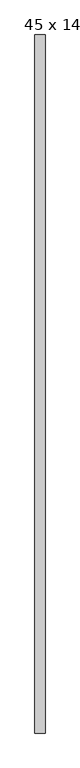
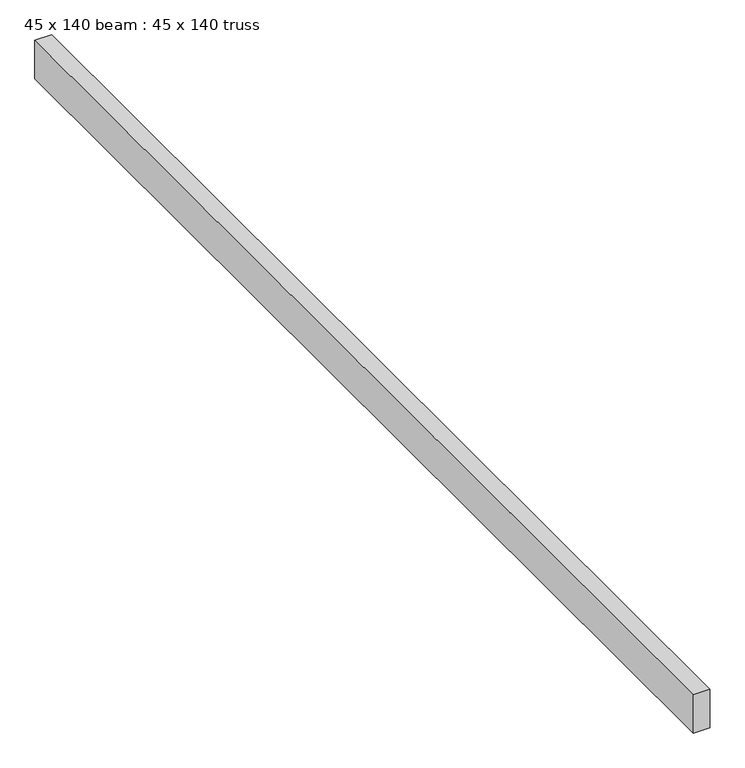
"""IFC4 building model written with IfcOpenShell, lengths in millimetres: proxy geometry, 45 x 140 beam : 45 x 140 truss."""

from ifc_helpers import new_model, si_unit, frame, origin, place, context, project, spatial, polyline, outline, extrude, source, transform, mapped, element, save


def proxy_45_x_140_beam_45_x_140_truss_9da06783(model_context):
    return source(origin(), model_context, "Body", "SweptSolid", [
        extrude(outline(polyline([(-1245.481876, -4501.6784404), (-1290.481876, -4501.6784404), (-1290.481876, -1411.6784404), (-1245.481876, -1411.6784404), (-1245.481876, -4501.6784404)])), frame((0.0, 0.0, 3675.1978483), z_axis=(0.0, 0.0, 1.0), x_axis=(1.0, 0.0, 0.0)), (0.0, 0.0, 1.0), 109.0474323),
    ])


if __name__ == "__main__":
    model = new_model("IFC4")
    model_context = context("Model", 3, world=origin())
    ifc_project = project(units=[si_unit("LENGTHUNIT", "METRE", prefix="MILLI")], contexts=[model_context])
    site = spatial("IfcSite", under=ifc_project)
    building = spatial("IfcBuilding", under=site)
    placement = place(None, origin())
    proxy_45_x_140_beam_45_x_140_truss_shape = proxy_45_x_140_beam_45_x_140_truss_9da06783(model_context)
    element("IfcBuildingElementProxy", 1, Name="45 x 140 beam : 45 x 140 truss", ObjectType="45 x 140 beam : 45 x 140 truss", at=placement, inside=building, context=model_context, shape_type="MappedRepresentation", body=[
        mapped(proxy_45_x_140_beam_45_x_140_truss_shape, transform((0.0, 0.0, 0.0), x_axis=(1.0, 0.0, 0.0), y_axis=(0.0, 1.0, 0.0), z_axis=(0.0, 0.0, 1.0))),
    ])
    save(model, "model.ifc")
